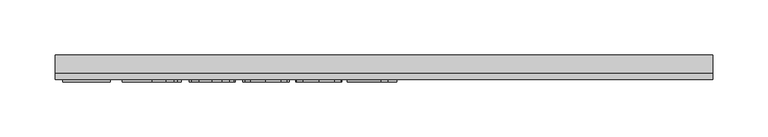
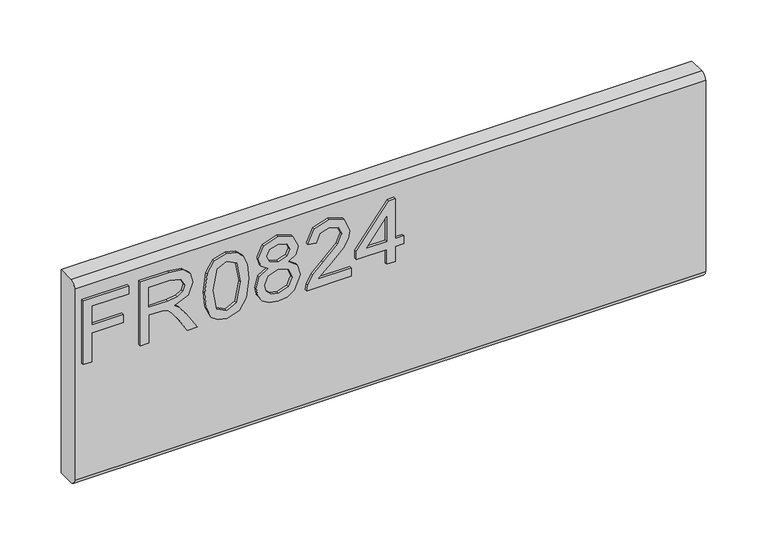
"""IFC4 building model written with IfcOpenShell, lengths in millimetres: furniture geometry."""

from ifc_helpers import new_model, si_unit, frame, origin, place, context, project, spatial, polyline, circle_curve, outline, extrude, source, transform, mapped, element, save
from ifc_brep_helpers import plane_surface, cylinder_surface, advanced_brep


def furniture_f418aacd(model_context):
    return source(origin(), model_context, "Body", "SolidModel", [
        extrude(outline(polyline([(882.65, -291.4729953), (882.65, -283.4992757), (911.5547336, -283.4992757), (911.5547336, -253.5978271), (919.5284532, -253.5978271), (919.5284532, -283.4992757), (938.4660373, -283.4992757), (938.4660373, -248.6142524), (946.4397569, -248.6142524), (946.4397569, -291.4729953), (882.65, -291.4729953)])), frame((0.0, -15.0812439, 0.0), z_axis=(0.0, 1.0, 0.0), x_axis=(0.0, 0.0, 1.0)), (0.0, 0.0, 1.0), 2.38125),
        extrude(outline(polyline([(882.65, -237.6503879), (882.65, -229.6766683), (910.5580187, -229.6766683), (910.5580187, -220.0521395), (910.2776926, -215.4267592), (908.7592596, -211.6345703), (904.62445, -207.4218923), (895.8720468, -201.4260289), (882.65, -193.1252622), (882.65, -183.8589278), (899.936775, -194.4957452), (908.1440996, -200.9588187), (911.5547336, -205.490757), (917.4883023, -192.136334), (928.9816716, -187.8146403), (938.6295609, -190.4232302), (944.7188663, -197.4002349), (946.4397569, -210.1628584), (946.4397569, -237.6503879), (882.65, -237.6503879)]), holes=[polyline([(918.5317383, -229.6766683), (938.4660373, -229.6766683), (938.4660373, -209.8202376), (935.7094975, -199.1600597), (928.6857719, -195.7883599), (923.2739211, -197.5559716), (919.6608294, -202.7264304), (918.5317383, -211.8292412), (918.5317383, -229.6766683)])]), frame((0.0, -15.0812439, 0.0), z_axis=(0.0, 1.0, 0.0), x_axis=(0.0, 0.0, 1.0)), (0.0, 0.0, 1.0), 2.38125),
        extrude(outline(polyline([(914.0309473, -176.8507758), (898.5156775, -175.2622614), (887.7270168, -170.496718), (883.171718, -164.2049549), (881.653285, -155.9197618), (885.1495742, -144.2472953), (895.7552443, -137.3092248), (914.0309473, -134.9887478), (929.0206058, -136.4370992), (938.4582505, -140.1747803), (944.3840324, -146.6067065), (946.4397569, -155.9197618), (942.9668283, -167.5455073), (932.3845188, -174.5069383), (914.0309473, -176.8507758)]), holes=[polyline([(914.046521, -168.8770562), (934.1988514, -165.0147858), (938.4660373, -156.0132039), (933.6226256, -146.5755591), (914.046521, -142.9624674), (894.2601718, -146.7001485), (889.6270047, -155.9197618), (894.2445982, -165.1393751), (914.046521, -168.8770562)])]), frame((0.0, -15.0812439, 0.0), z_axis=(0.0, 1.0, 0.0), x_axis=(0.0, 0.0, 1.0)), (0.0, 0.0, 1.0), 2.38125),
        extrude(outline(polyline([(917.7842021, -116.3937845), (911.9907964, -124.990451), (901.4318474, -128.0117432), (893.6742125, -126.5711786), (887.3143145, -122.2494848), (883.0685424, -115.5761668), (881.653285, -107.0807292), (883.0627023, -98.5852916), (887.290954, -91.9119735), (901.213816, -86.1497152), (911.5313731, -89.0542048), (917.7842021, -97.5340688), (922.713269, -90.4714089), (930.2275653, -88.1431451), (941.7209346, -93.3758986), (946.4397569, -107.1897449), (941.8299503, -120.8790018), (930.4455967, -126.0183133), (922.7366295, -123.6589021), (917.7842021, -116.3937845)]), holes=[polyline([(930.2119916, -118.0445936), (936.0365446, -115.1712513), (938.4660373, -107.0807292), (935.9820368, -99.0135675), (929.8537972, -96.1168647), (923.9358022, -98.9201255), (921.5218831, -106.9872871), (923.9513758, -115.2179723), (930.2119916, -118.0445936)]), polyline([(901.7121735, -120.0380235), (910.1686769, -116.6663237), (913.5481635, -107.2831869), (910.1219559, -97.6275108), (901.4629947, -94.1234348), (892.9675571, -97.5184951), (889.6270047, -107.0184345), (891.2155191, -113.9954391), (895.7085232, -118.7064747), (901.7121735, -120.0380235)])]), frame((0.0, -15.0812439, 0.0), z_axis=(0.0, 1.0, 0.0), x_axis=(0.0, 0.0, 1.0)), (0.0, 0.0, 1.0), 2.38125),
        extrude(outline(polyline([(890.6237196, -38.3073975), (890.6237196, -69.6260501), (894.6806609, -66.0285321), (902.350694, -56.8556398), (913.2756243, -45.432352), (921.0936072, -40.7213165), (928.6546245, -39.3041124), (941.3315928, -44.5602264), (946.4397569, -58.833496), (941.845524, -73.0600446), (928.4988878, -79.1727105), (927.5021729, -71.1989909), (935.5537608, -67.8428648), (938.4660373, -59.0048064), (935.4836793, -50.5249425), (928.1718407, -47.277832), (919.1391115, -50.7196133), (905.85477, -64.4867386), (896.6117962, -74.4694618), (888.1475059, -79.3128735), (882.65, -80.1694255), (882.65, -38.3073975), (890.6237196, -38.3073975)])), frame((0.0, -15.0812439, 0.0), z_axis=(0.0, 1.0, 0.0), x_axis=(0.0, 0.0, 1.0)), (0.0, 0.0, 1.0), 2.38125),
        extrude(outline(polyline([(882.65, -4.4190891), (882.65, 3.5546305), (897.6007243, 3.5546305), (897.6007243, 11.5283502), (905.5744439, 11.5283502), (905.5744439, 3.5546305), (945.443042, 3.5546305), (945.443042, -2.4256592), (905.5744439, -33.3238227), (897.6007243, -33.3238227), (897.6007243, -4.4190891), (882.65, -4.4190891)]), holes=[polyline([(905.5744439, -4.4190891), (905.5744439, -23.5124099), (930.2119916, -4.4190891), (905.5744439, -4.4190891)])]), frame((0.0, -15.0812439, 0.0), z_axis=(0.0, 1.0, 0.0), x_axis=(0.0, 0.0, 1.0)), (0.0, 0.0, 1.0), 2.38125),
        advanced_brep(
        [(298.45, 9.5250061, 965.2), (298.45, -6.7309939, 965.2), (298.45, -12.6999939, 959.231), (298.45, -12.6999939, 767.969), (298.45, -6.7309939, 762.0), (298.45, 9.5250061, 762.0), (-298.45, 9.5250061, 965.2), (-298.45, 9.5250061, 762.0), (-298.45, -6.7309939, 762.0), (-298.45, -12.6999939, 767.969), (-298.45, -12.6999939, 959.2310121), (-298.45, -6.7309939, 965.2)],
        [
            (0, 1),
            (1, 2, circle_curve(frame((298.45, -6.7309939, 959.231), z_axis=(1.0, 0.0, 0.0), x_axis=(0.0, 1.0, 0.0)), 5.969)),
            (2, 3),
            (3, 4, circle_curve(frame((298.45, -6.7309939, 767.969), z_axis=(1.0, 0.0, 0.0), x_axis=(0.0, 1.0, 0.0)), 5.969)),
            (4, 5),
            (5, 0),
            (6, 7),
            (7, 8),
            (8, 9, circle_curve(frame((-298.45, -6.7309939, 767.969), z_axis=(-1.0, 0.0, 0.0), x_axis=(0.0, 1.0, 0.0)), 5.969)),
            (9, 10),
            (10, 11, circle_curve(frame((-298.45, -6.7309939, 959.231), z_axis=(-1.0, 0.0, 0.0), x_axis=(0.0, 1.0, 0.0)), 5.969)),
            (11, 6),
            (0, 6),
            (11, 1),
            (10, 2),
            (9, 3),
            (8, 4),
            (7, 5),
        ],
        [
            plane_surface(frame((298.45, -6.7309939, 965.2), z_axis=(1.0, 0.0, 0.0), x_axis=(0.0, -1.0, 0.0))),
            plane_surface(frame((-298.45, -6.7309939, 965.2), z_axis=(-1.0, 0.0, 0.0), x_axis=(0.0, 1.0, 0.0))),
            plane_surface(frame((298.45, 9.5250061, 965.2), z_axis=(0.0, 0.0, 1.0), x_axis=(-1.0, 0.0, 0.0))),
            cylinder_surface(frame((-298.45, -6.7309939, 959.231), z_axis=(1.0, 0.0, 0.0), x_axis=(0.0, 1.0, 0.0)), 5.969),
            plane_surface(frame((298.45, -12.6999939, 959.2310121), z_axis=(0.0, -1.0, 0.0), x_axis=(-1.0, 0.0, 0.0))),
            cylinder_surface(frame((-298.45, -6.7309939, 767.969), z_axis=(1.0, 0.0, 0.0), x_axis=(0.0, 1.0, 0.0)), 5.969),
            plane_surface(frame((298.45, -6.7309939, 762.0), z_axis=(0.0, 0.0, -1.0), x_axis=(-1.0, 0.0, 0.0))),
            plane_surface(frame((298.45, 9.5250061, 762.0), z_axis=(0.0, 1.0, 0.0), x_axis=(-1.0, 0.0, 0.0))),
        ],
        [
            (0, [[1, 2, 3, 4, 5, 6]]),
            (1, [[7, 8, 9, 10, 11, 12]]),
            (2, [[-1, 13, -12, 14]]),
            (3, [[-2, -14, -11, 15]]),
            (4, [[-3, -15, -10, 16]]),
            (5, [[-4, -16, -9, 17]]),
            (6, [[-5, -17, -8, 18]]),
            (7, [[-6, -18, -7, -13]]),
        ],
    ),
    ])


if __name__ == "__main__":
    model = new_model("IFC4")
    model_context = context("Model", 3, world=origin())
    ifc_project = project(units=[si_unit("LENGTHUNIT", "METRE", prefix="MILLI")], contexts=[model_context])
    site = spatial("IfcSite", under=ifc_project)
    building = spatial("IfcBuilding", under=site)
    placement = place(None, origin())
    furniture_shape = furniture_f418aacd(model_context)
    element("IfcFurniture", 1, at=placement, inside=building, context=model_context, shape_type="MappedRepresentation", body=[
        mapped(furniture_shape, transform((0.0, 0.0, 0.0), x_axis=(1.0, 0.0, 0.0), y_axis=(0.0, 1.0, 0.0), z_axis=(0.0, 0.0, 1.0))),
    ])
    save(model, "model.ifc")
